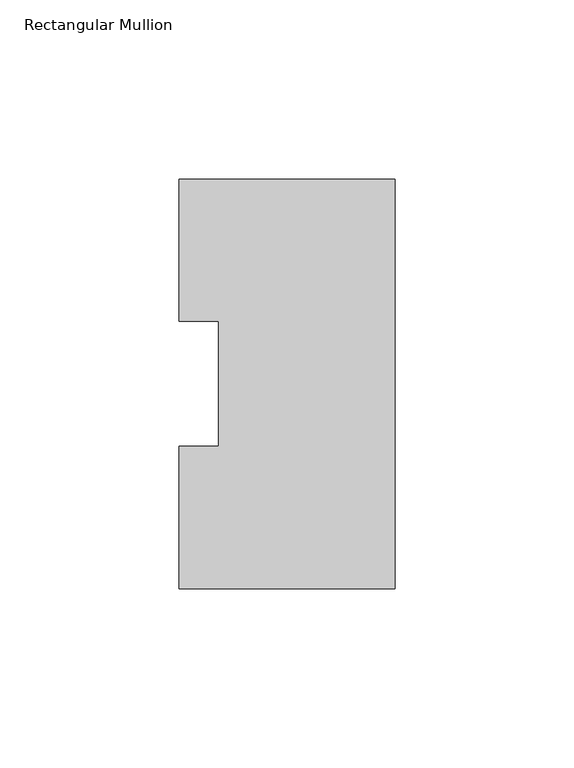
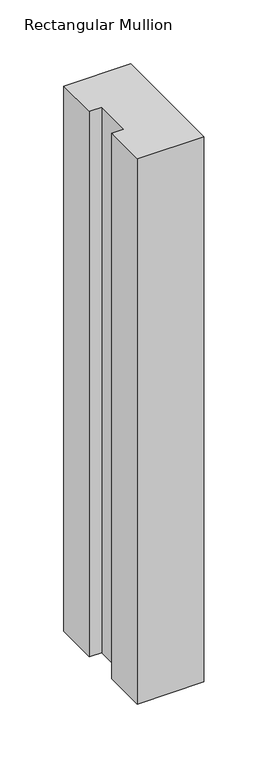
"""IFC4 building model written with IfcOpenShell, lengths in millimetres: member geometry, Rectangular Mullion."""

from ifc_helpers import new_model, si_unit, frame, origin, place, context, project, spatial, polyline, outline, extrude, source, transform, mapped, element, save


def rectangular_mullion_c160941a(model_context):
    return source(origin(), model_context, "Body", "SweptSolid", [
        extrude(outline(polyline([(0.0, 114.271425), (0.0, -0.028575), (-60.325, -0.028575), (-60.325, 39.646225), (-49.2125, 39.646225), (-49.2125, 74.596625), (-60.325, 74.596625), (-60.325, 114.271425), (0.0, 114.271425)])), frame((0.0, 0.0, -520.7), z_axis=(0.0, 0.0, 1.0), x_axis=(1.0, 0.0, 0.0)), (0.0, 0.0, 1.0), 520.7),
    ])


if __name__ == "__main__":
    model = new_model("IFC4")
    model_context = context("Model", 3, world=origin())
    ifc_project = project(units=[si_unit("LENGTHUNIT", "METRE", prefix="MILLI")], contexts=[model_context])
    site = spatial("IfcSite", under=ifc_project)
    building = spatial("IfcBuilding", under=site)
    placement = place(None, origin())
    rectangular_mullion_shape = rectangular_mullion_c160941a(model_context)
    element("IfcMember", 1, ObjectType="Rectangular Mullion", at=placement, inside=building, context=model_context, shape_type="MappedRepresentation", body=[
        mapped(rectangular_mullion_shape, transform((0.0, 0.0, 0.0), x_axis=(1.0, 0.0, 0.0), y_axis=(0.0, 1.0, 0.0), z_axis=(0.0, 0.0, 1.0))),
    ])
    save(model, "model.ifc")
